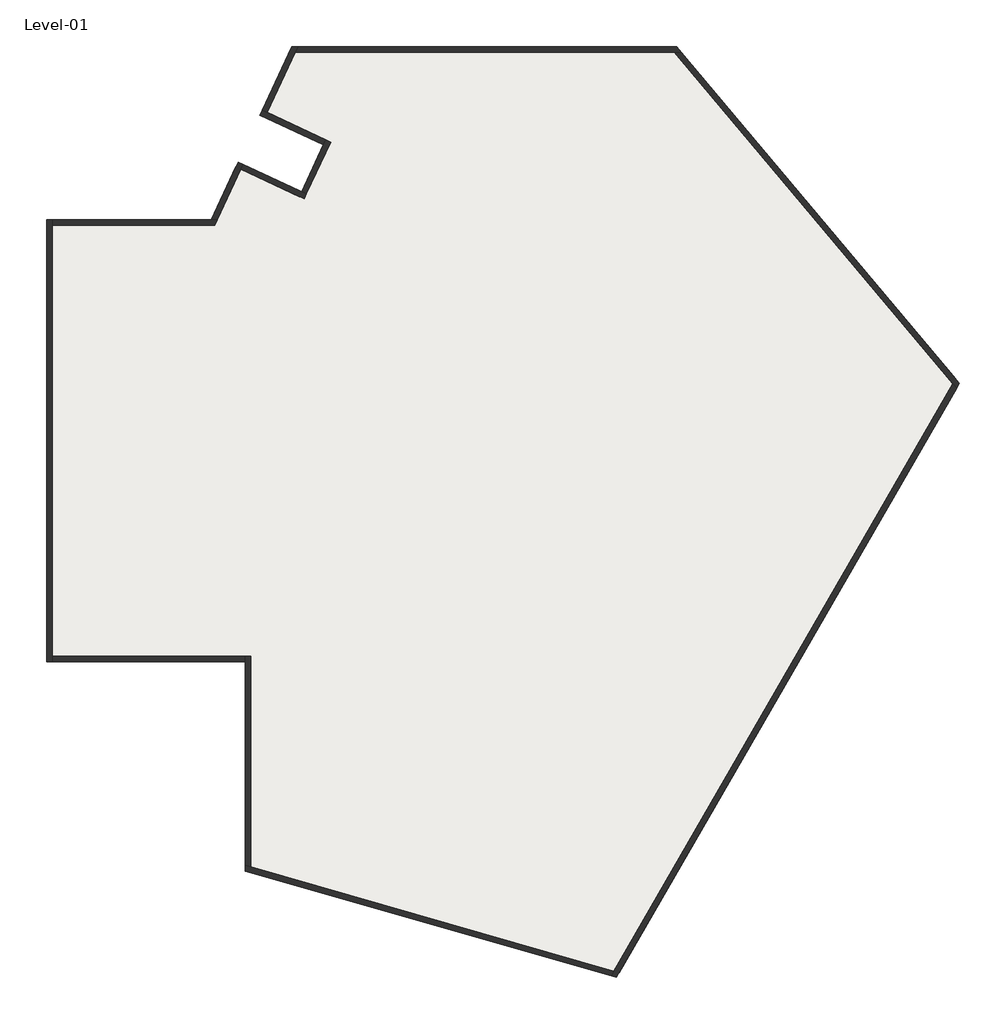
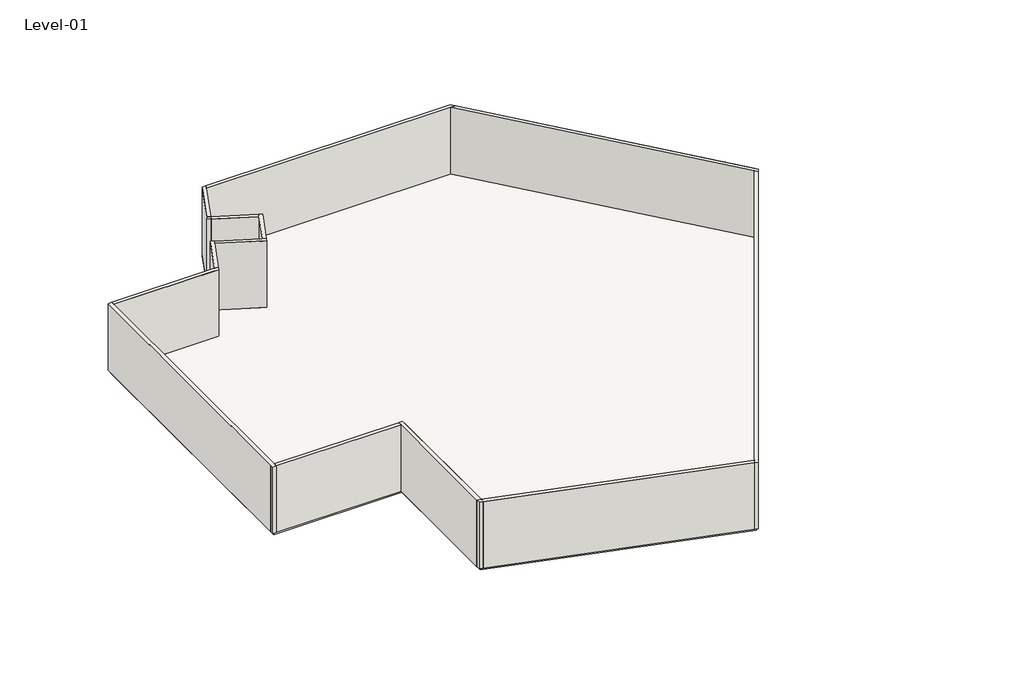
# One storey: 26 walls, 2 slabs.
"""IFC4 building model written with IfcOpenShell, lengths in millimetres."""

from ifc_helpers import new_model, si_unit, frame, origin, place, context, project, spatial, polyline, outline, extrude, faceted_brep, element, save

model = new_model("IFC4")

# Units and contexts
model_context = context("Model", 3, world=origin())
ifc_project = project(units=[si_unit("LENGTHUNIT", "METRE", prefix="MILLI")], contexts=[model_context])

# Site, building, storey
site = spatial("IfcSite", under=ifc_project)
building = spatial("IfcBuilding", under=site)
storey = spatial("IfcBuildingStorey", under=building, Name="Level-01", Elevation=4000.0)

# Slabs
placement = place(None, origin())
element("IfcSlab", 1, ObjectType="Generic 150mm", at=placement, inside=storey, context=model_context, shape_type="SweptSolid", body=[
    extrude(outline(polyline([(-16614.6161583, 7322.1830783), (-10614.6161583, 7322.1830783), (-9645.9163017, 9399.5666246), (-7318.5272527, 8314.2872875), (-6431.028903, 10217.5336403), (-8758.4179521, 11302.8129774), (-7656.2883261, 13666.3375876), (6343.7116739, 13666.3375876), (16628.3134289, 1409.6264977), (4128.3134289, -20241.008597), (-9329.3503142, -16382.0856155), (-9329.3503142, -8677.8169217), (-16614.6161583, -8677.8169217), (-16614.6161583, 7322.1830783)])), frame((0.0, 0.0, 3850.0), z_axis=(0.0, 0.0, 1.0), x_axis=(1.0, 0.0, 0.0)), (0.0, 0.0, 1.0), 150.0),
])
element("IfcSlab", 2, ObjectType="Generic 150mm", at=placement, inside=storey, context=model_context, shape_type="SweptSolid", body=[
    extrude(outline(polyline([(-16614.6161583, 7322.1830783), (-10614.6161583, 7322.1830783), (-9645.9163017, 9399.5666246), (-7318.5272527, 8314.2872875), (-6431.028903, 10217.5336403), (-8758.4179521, 11302.8129774), (-7656.2883261, 13666.3375876), (6343.7116739, 13666.3375876), (16628.3134289, 1409.6264977), (4128.3134289, -20241.008597), (-9329.3503142, -16382.0856155), (-9329.3503142, -8677.8169217), (-16614.6161583, -8677.8169217), (-16614.6161583, 7322.1830783)])), frame((0.0, 0.0, 3850.0), z_axis=(0.0, 0.0, 1.0), x_axis=(1.0, 0.0, 0.0)), (0.0, 0.0, 1.0), 150.0),
])

# Walls
element("IfcWall", 3, ObjectType="Generic 200mm Wall", at=placement, inside=storey, context=model_context, shape_type="Brep", body=[
    faceted_brep([(-16514.6161583, -8777.8169217, 4000.0), (-16514.6161583, -8577.8169217, 4000.0), (-16514.6161583, 7222.1830783, 4000.0), (-16514.6161583, 7422.1830783, 4000.0), (-16514.6161583, 7422.1830783, 8000.0), (-16514.6161583, 7222.1830783, 8000.0), (-16514.6161583, -8577.8169217, 8000.0), (-16514.6161583, -8777.8169217, 8000.0), (-16714.6161583, -8777.8169217, 4000.0), (-16714.6161583, -8777.8169217, 8000.0), (-16714.6161583, 7422.1830783, 8000.0), (-16714.6161583, 7422.1830783, 4000.0)], [[[0, 1, 2, 3, 4, 5, 6, 7]], [[8, 9, 10, 11]], [[3, 2, 1, 0, 8, 11]], [[7, 6, 5, 4, 10, 9]], [[4, 3, 11, 10]], [[0, 7, 9, 8]]]),
])
element("IfcWall", 4, ObjectType="Generic 200mm Wall", at=placement, inside=storey, context=model_context, shape_type="Brep", body=[
    faceted_brep([(-16514.6161583, 7222.1830783, 4000.0), (-10550.9091322, 7222.1830783, 4000.0), (-10550.9091322, 7222.1830783, 8000.0), (-16514.6161583, 7222.1830783, 8000.0), (-16514.6161583, 7422.1830783, 4000.0), (-16514.6161583, 7422.1830783, 8000.0), (-10678.3231844, 7422.1830783, 8000.0), (-10457.6476006, 7422.1830783, 8000.0), (-10457.6476006, 7422.1830783, 4000.0), (-10678.3231844, 7422.1830783, 4000.0)], [[[0, 1, 2, 3]], [[4, 5, 6, 7, 8, 9]], [[1, 0, 4, 9, 8]], [[3, 2, 7, 6, 5]], [[2, 1, 8, 7]], [[0, 3, 5, 4]]]),
])
element("IfcWall", 5, ObjectType="Generic 200mm Wall", at=placement, inside=storey, context=model_context, shape_type="Brep", body=[
    faceted_brep([(-10457.6476006, 7422.1830783, 4000.0), (-9597.5473492, 9266.6740197, 4000.0), (-9513.0236968, 9447.9355771, 4000.0), (-9513.0236968, 9447.9355771, 8000.0), (-9597.5473492, 9266.6740197, 8000.0), (-10457.6476006, 7422.1830783, 8000.0), (-10678.3231844, 7422.1830783, 4000.0), (-10678.3231844, 7422.1830783, 8000.0), (-9694.2852542, 9532.4592295, 8000.0), (-9694.2852542, 9532.4592295, 4000.0)], [[[0, 1, 2, 3, 4, 5]], [[6, 7, 8, 9]], [[2, 1, 0, 6, 9]], [[5, 4, 3, 8, 7]], [[3, 2, 9, 8]], [[0, 5, 7, 6]]]),
])
element("IfcWall", 6, ObjectType="Generic 200mm Wall", at=placement, inside=storey, context=model_context, shape_type="Brep", body=[
    faceted_brep([(-9597.5473492, 9266.6740197, 4000.0), (-7270.1583001, 8181.3946827, 4000.0), (-7270.1583001, 8181.3946827, 8000.0), (-9597.5473492, 9266.6740197, 8000.0), (-9513.0236968, 9447.9355771, 4000.0), (-9513.0236968, 9447.9355771, 8000.0), (-7366.8962052, 8447.1798924, 8000.0), (-7185.6346478, 8362.6562401, 8000.0), (-7185.6346478, 8362.6562401, 4000.0), (-7366.8962052, 8447.1798924, 4000.0)], [[[0, 1, 2, 3]], [[4, 5, 6, 7, 8, 9]], [[1, 0, 4, 9, 8]], [[3, 2, 7, 6, 5]], [[2, 1, 8, 7]], [[0, 3, 5, 4]]]),
])
element("IfcWall", 7, ObjectType="Generic 200mm Wall", at=placement, inside=storey, context=model_context, shape_type="Brep", body=[
    faceted_brep([(-7185.6346478, 8362.6562401, 4000.0), (-6298.1362981, 10265.9025928, 4000.0), (-6298.1362981, 10265.9025928, 8000.0), (-7185.6346478, 8362.6562401, 8000.0), (-7366.8962052, 8447.1798924, 4000.0), (-7366.8962052, 8447.1798924, 8000.0), (-6563.9215079, 10169.1646878, 8000.0), (-6479.3978555, 10350.4262452, 8000.0), (-6479.3978555, 10350.4262452, 4000.0), (-6563.9215079, 10169.1646878, 4000.0)], [[[0, 1, 2, 3]], [[4, 5, 6, 7, 8, 9]], [[1, 0, 4, 9, 8]], [[3, 2, 7, 6, 5]], [[2, 1, 8, 7]], [[0, 3, 5, 4]]]),
])
element("IfcWall", 8, ObjectType="Generic 200mm Wall", at=placement, inside=storey, context=model_context, shape_type="Brep", body=[
    faceted_brep([(-6479.3978555, 10350.4262452, 4000.0), (-8625.5253472, 11351.1819299, 4000.0), (-8806.7869046, 11435.7055823, 4000.0), (-8806.7869046, 11435.7055823, 8000.0), (-8625.5253472, 11351.1819299, 8000.0), (-6479.3978555, 10350.4262452, 8000.0), (-6563.9215079, 10169.1646878, 4000.0), (-6563.9215079, 10169.1646878, 8000.0), (-8891.3105569, 11254.4440249, 8000.0), (-8891.3105569, 11254.4440249, 4000.0)], [[[0, 1, 2, 3, 4, 5]], [[6, 7, 8, 9]], [[2, 1, 0, 6, 9]], [[5, 4, 3, 8, 7]], [[3, 2, 9, 8]], [[0, 5, 7, 6]]]),
])
element("IfcWall", 9, ObjectType="Generic 200mm Wall", at=placement, inside=storey, context=model_context, shape_type="Brep", body=[
    faceted_brep([(-8625.5253472, 11351.1819299, 4000.0), (-7592.5813, 13566.3375876, 4000.0), (-7499.3197684, 13766.3375876, 4000.0), (-7499.3197684, 13766.3375876, 8000.0), (-7592.5813, 13566.3375876, 8000.0), (-8625.5253472, 11351.1819299, 8000.0), (-8806.7869046, 11435.7055823, 4000.0), (-8806.7869046, 11435.7055823, 8000.0), (-7719.9953522, 13766.3375876, 8000.0), (-7719.9953522, 13766.3375876, 4000.0)], [[[0, 1, 2, 3, 4, 5]], [[6, 7, 8, 9]], [[2, 1, 0, 6, 9]], [[5, 4, 3, 8, 7]], [[3, 2, 9, 8]], [[0, 5, 7, 6]]]),
])
element("IfcWall", 10, ObjectType="Generic 200mm Wall", at=placement, inside=storey, context=model_context, shape_type="Brep", body=[
    faceted_brep([(-7592.5813, 13566.3375876, 4000.0), (6297.0809081, 13566.3375876, 4000.0), (6558.162366, 13566.3375876, 4000.0), (6558.162366, 13566.3375876, 8000.0), (6297.0809081, 13566.3375876, 8000.0), (-7592.5813, 13566.3375876, 8000.0), (-7499.3197684, 13766.3375876, 4000.0), (-7499.3197684, 13766.3375876, 8000.0), (6390.3424397, 13766.3375876, 8000.0), (6390.3424397, 13766.3375876, 4000.0)], [[[0, 1, 2, 3, 4, 5]], [[6, 7, 8, 9]], [[2, 1, 0, 6, 9]], [[5, 4, 3, 8, 7]], [[3, 2, 9, 8]], [[0, 5, 7, 6]]]),
])
element("IfcWall", 11, ObjectType="Generic 200mm Wall", at=placement, inside=storey, context=model_context, shape_type="Brep", body=[
    faceted_brep([(6297.0809081, 13566.3375876, 4000.0), (16506.7005116, 1398.9867461, 4000.0), (16643.5085689, 1235.9452522, 4000.0), (16643.5085689, 1235.9452522, 8000.0), (16506.7005116, 1398.9867461, 8000.0), (6297.0809081, 13566.3375876, 8000.0), (6558.162366, 13566.3375876, 4000.0), (6558.162366, 13566.3375876, 8000.0), (16749.9263462, 1420.2662493, 8000.0), (16749.9263462, 1420.2662493, 4000.0)], [[[0, 1, 2, 3, 4, 5]], [[6, 7, 8, 9]], [[2, 1, 0, 6, 9]], [[5, 4, 3, 8, 7]], [[3, 2, 9, 8]], [[0, 5, 7, 6]]]),
])
element("IfcWall", 12, ObjectType="Generic 200mm Wall", at=placement, inside=storey, context=model_context, shape_type="Brep", body=[
    faceted_brep([(16506.7005116, 1398.9867461, 4000.0), (4080.7751698, -20123.3472769, 4000.0), (3977.7138069, -20301.8547938, 4000.0), (3977.7138069, -20301.8547938, 8000.0), (4080.7751698, -20123.3472769, 8000.0), (16506.7005116, 1398.9867461, 8000.0), (16643.5085689, 1235.9452522, 4000.0), (16643.5085689, 1235.9452522, 8000.0), (4175.8516879, -20358.669917, 8000.0), (4175.8516879, -20358.669917, 4000.0)], [[[0, 1, 2, 3, 4, 5]], [[6, 7, 8, 9]], [[2, 1, 0, 6, 9]], [[5, 4, 3, 8, 7]], [[3, 2, 9, 8]], [[0, 5, 7, 6]]]),
])
element("IfcWall", 13, ObjectType="Generic 200mm Wall", at=placement, inside=storey, context=model_context, shape_type="Brep", body=[
    faceted_brep([(4080.7751698, -20123.3472769, 4000.0), (-9229.3503142, -16306.7302105, 4000.0), (-9429.3503142, -16249.3811334, 4000.0), (-9429.3503142, -16249.3811334, 8000.0), (-9229.3503142, -16306.7302105, 8000.0), (4080.7751698, -20123.3472769, 8000.0), (3977.7138069, -20301.8547938, 4000.0), (3977.7138069, -20301.8547938, 8000.0), (-9429.3503142, -16457.4410205, 8000.0), (-9429.3503142, -16457.4410205, 4000.0)], [[[0, 1, 2, 3, 4, 5]], [[6, 7, 8, 9]], [[2, 1, 0, 6, 9]], [[5, 4, 3, 8, 7]], [[3, 2, 9, 8]], [[0, 5, 7, 6]]]),
])
element("IfcWall", 14, ObjectType="Generic 200mm Wall", at=placement, inside=storey, context=model_context, shape_type="Brep", body=[
    faceted_brep([(-9229.3503142, -16306.7302105, 4000.0), (-9229.3503142, -8577.8169217, 4000.0), (-9229.3503142, -8577.8169217, 8000.0), (-9229.3503142, -16306.7302105, 8000.0), (-9429.3503142, -16249.3811334, 4000.0), (-9429.3503142, -16249.3811334, 8000.0), (-9429.3503142, -8777.8169217, 8000.0), (-9429.3503142, -8577.8169217, 8000.0), (-9429.3503142, -8577.8169217, 4000.0), (-9429.3503142, -8777.8169217, 4000.0)], [[[0, 1, 2, 3]], [[4, 5, 6, 7, 8, 9]], [[1, 0, 4, 9, 8]], [[3, 2, 7, 6, 5]], [[2, 1, 8, 7]], [[0, 3, 5, 4]]]),
])
element("IfcWall", 15, ObjectType="Generic 200mm Wall", at=placement, inside=storey, context=model_context, shape_type="SweptSolid", body=[
    extrude(outline(polyline([(-16514.6161583, -8577.8169217), (-9429.3503142, -8577.8169217), (-9429.3503142, -8777.8169217), (-16514.6161583, -8777.8169217), (-16514.6161583, -8577.8169217)])), frame((0.0, 0.0, 4000.0), z_axis=(0.0, 0.0, 1.0), x_axis=(1.0, 0.0, 0.0)), (0.0, 0.0, 1.0), 4000.0),
])
element("IfcWall", 16, ObjectType="Generic 200mm Wall", at=placement, inside=storey, context=model_context, shape_type="SweptSolid", body=[
    extrude(outline(polyline([(-16514.6161583, 7222.1830783), (-16514.6161583, -8577.8169217), (-16714.6161583, -8577.8169217), (-16714.6161583, 7222.1830783), (-16514.6161583, 7222.1830783)])), frame((0.0, 0.0, 4000.0), z_axis=(0.0, 0.0, 1.0), x_axis=(1.0, 0.0, 0.0)), (0.0, 0.0, 1.0), 4000.0),
])
element("IfcWall", 17, ObjectType="Generic 200mm Wall", at=placement, inside=storey, context=model_context, shape_type="SweptSolid", body=[
    extrude(outline(polyline([(-10771.584716, 7222.1830783), (-16514.6161583, 7222.1830783), (-16514.6161583, 7422.1830783), (-10678.3231844, 7422.1830783), (-10771.584716, 7222.1830783)])), frame((0.0, 0.0, 4000.0), z_axis=(0.0, 0.0, 1.0), x_axis=(1.0, 0.0, 0.0)), (0.0, 0.0, 1.0), 4000.0),
])
element("IfcWall", 18, ObjectType="Generic 200mm Wall", at=placement, inside=storey, context=model_context, shape_type="SweptSolid", body=[
    extrude(outline(polyline([(-9597.5473492, 9266.6740197), (-10457.6476006, 7422.1830783), (-10678.3231844, 7422.1830783), (-9778.8089066, 9351.1976721), (-9597.5473492, 9266.6740197)])), frame((0.0, 0.0, 4000.0), z_axis=(0.0, 0.0, 1.0), x_axis=(1.0, 0.0, 0.0)), (0.0, 0.0, 1.0), 4000.0),
])
element("IfcWall", 19, ObjectType="Generic 200mm Wall", at=placement, inside=storey, context=model_context, shape_type="SweptSolid", body=[
    extrude(outline(polyline([(-7451.4198575, 8265.918335), (-9597.5473492, 9266.6740197), (-9513.0236968, 9447.9355771), (-7366.8962052, 8447.1798924), (-7451.4198575, 8265.918335)])), frame((0.0, 0.0, 4000.0), z_axis=(0.0, 0.0, 1.0), x_axis=(1.0, 0.0, 0.0)), (0.0, 0.0, 1.0), 4000.0),
])
element("IfcWall", 20, ObjectType="Generic 200mm Wall", at=placement, inside=storey, context=model_context, shape_type="SweptSolid", body=[
    extrude(outline(polyline([(-6382.6599505, 10084.6410354), (-7185.6346478, 8362.6562401), (-7366.8962052, 8447.1798924), (-6563.9215079, 10169.1646878), (-6382.6599505, 10084.6410354)])), frame((0.0, 0.0, 4000.0), z_axis=(0.0, 0.0, 1.0), x_axis=(1.0, 0.0, 0.0)), (0.0, 0.0, 1.0), 4000.0),
])
element("IfcWall", 21, ObjectType="Generic 200mm Wall", at=placement, inside=storey, context=model_context, shape_type="SweptSolid", body=[
    extrude(outline(polyline([(-8625.5253472, 11351.1819299), (-6479.3978555, 10350.4262452), (-6563.9215079, 10169.1646878), (-8710.0489995, 11169.9203725), (-8625.5253472, 11351.1819299)])), frame((0.0, 0.0, 4000.0), z_axis=(0.0, 0.0, 1.0), x_axis=(1.0, 0.0, 0.0)), (0.0, 0.0, 1.0), 4000.0),
])
element("IfcWall", 22, ObjectType="Generic 200mm Wall", at=placement, inside=storey, context=model_context, shape_type="SweptSolid", body=[
    extrude(outline(polyline([(-7592.5813, 13566.3375876), (-8625.5253472, 11351.1819299), (-8806.7869046, 11435.7055823), (-7813.2568838, 13566.3375876), (-7592.5813, 13566.3375876)])), frame((0.0, 0.0, 4000.0), z_axis=(0.0, 0.0, 1.0), x_axis=(1.0, 0.0, 0.0)), (0.0, 0.0, 1.0), 4000.0),
])
element("IfcWall", 23, ObjectType="Generic 200mm Wall", at=placement, inside=storey, context=model_context, shape_type="SweptSolid", body=[
    extrude(outline(polyline([(6297.0809081, 13566.3375876), (-7592.5813, 13566.3375876), (-7499.3197684, 13766.3375876), (6129.2609819, 13766.3375876), (6297.0809081, 13566.3375876)])), frame((0.0, 0.0, 4000.0), z_axis=(0.0, 0.0, 1.0), x_axis=(1.0, 0.0, 0.0)), (0.0, 0.0, 1.0), 4000.0),
])
element("IfcWall", 24, ObjectType="Generic 200mm Wall", at=placement, inside=storey, context=model_context, shape_type="SweptSolid", body=[
    extrude(outline(polyline([(16506.7005116, 1398.9867461), (6297.0809081, 13566.3375876), (6558.162366, 13566.3375876), (16613.1182889, 1583.3077431), (16506.7005116, 1398.9867461)])), frame((0.0, 0.0, 4000.0), z_axis=(0.0, 0.0, 1.0), x_axis=(1.0, 0.0, 0.0)), (0.0, 0.0, 1.0), 4000.0),
])
element("IfcWall", 25, ObjectType="Generic 200mm Wall", at=placement, inside=storey, context=model_context, shape_type="SweptSolid", body=[
    extrude(outline(polyline([(4080.7751698, -20123.3472769), (16506.7005116, 1398.9867461), (16643.5085689, 1235.9452522), (4278.9130509, -20180.1624001), (4080.7751698, -20123.3472769)])), frame((0.0, 0.0, 4000.0), z_axis=(0.0, 0.0, 1.0), x_axis=(1.0, 0.0, 0.0)), (0.0, 0.0, 1.0), 4000.0),
])
element("IfcWall", 26, ObjectType="Generic 200mm Wall", at=placement, inside=storey, context=model_context, shape_type="SweptSolid", body=[
    extrude(outline(polyline([(-9229.3503142, -16306.7302105), (4080.7751698, -20123.3472769), (3977.7138069, -20301.8547938), (-9229.3503142, -16514.7900977), (-9229.3503142, -16306.7302105)])), frame((0.0, 0.0, 4000.0), z_axis=(0.0, 0.0, 1.0), x_axis=(1.0, 0.0, 0.0)), (0.0, 0.0, 1.0), 4000.0),
])
element("IfcWall", 27, ObjectType="Generic 200mm Wall", at=placement, inside=storey, context=model_context, shape_type="SweptSolid", body=[
    extrude(outline(polyline([(-9229.3503142, -8777.8169217), (-9229.3503142, -16306.7302105), (-9429.3503142, -16249.3811334), (-9429.3503142, -8777.8169217), (-9229.3503142, -8777.8169217)])), frame((0.0, 0.0, 4000.0), z_axis=(0.0, 0.0, 1.0), x_axis=(1.0, 0.0, 0.0)), (0.0, 0.0, 1.0), 4000.0),
])
element("IfcWall", 28, ObjectType="Generic 200mm Wall", at=placement, inside=storey, context=model_context, shape_type="SweptSolid", body=[
    extrude(outline(polyline([(-16514.6161583, -8577.8169217), (-9429.3503142, -8577.8169217), (-9429.3503142, -8777.8169217), (-16514.6161583, -8777.8169217), (-16514.6161583, -8577.8169217)])), frame((0.0, 0.0, 4000.0), z_axis=(0.0, 0.0, 1.0), x_axis=(1.0, 0.0, 0.0)), (0.0, 0.0, 1.0), 4000.0),
])

save(model, "model.ifc")
